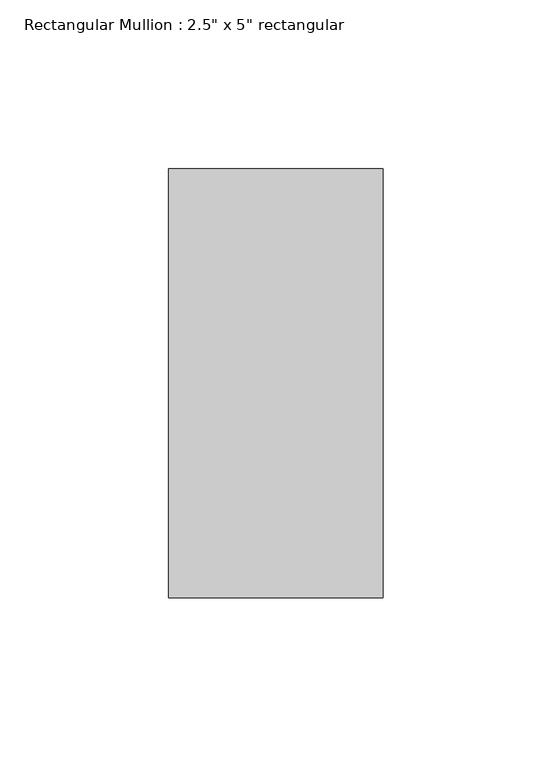
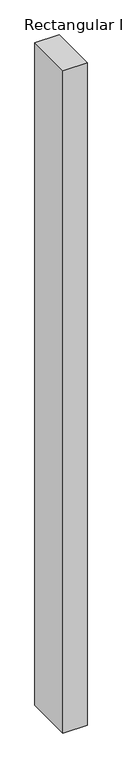
"""IFC4 building model written with IfcOpenShell, lengths in millimetres: member geometry."""

from ifc_helpers import new_model, si_unit, frame, origin, place, context, project, spatial, polyline, outline, extrude, source, transform, mapped, element, save


def member_867dda86(model_context):
    return source(origin(), model_context, "Body", "SweptSolid", [
        extrude(outline(polyline([(31.75, 63.5), (31.75, -63.5), (-31.75, -63.5), (-31.75, 63.5), (31.75, 63.5)])), frame((0.0, 0.0, -1836.8), z_axis=(0.0, 0.0, 1.0), x_axis=(1.0, 0.0, 0.0)), (0.0, 0.0, 1.0), 1836.8),
    ])


if __name__ == "__main__":
    model = new_model("IFC4")
    model_context = context("Model", 3, world=origin())
    ifc_project = project(units=[si_unit("LENGTHUNIT", "METRE", prefix="MILLI")], contexts=[model_context])
    site = spatial("IfcSite", under=ifc_project)
    building = spatial("IfcBuilding", under=site)
    placement = place(None, origin())
    member_shape = member_867dda86(model_context)
    element("IfcMember", 1, ObjectType="Rectangular Mullion : 2.5\" x 5\" rectangular", at=placement, inside=building, context=model_context, shape_type="MappedRepresentation", body=[
        mapped(member_shape, transform((0.0, 0.0, 0.0), x_axis=(1.0, 0.0, 0.0), y_axis=(0.0, 1.0, 0.0), z_axis=(0.0, 0.0, 1.0))),
    ])
    save(model, "model.ifc")
